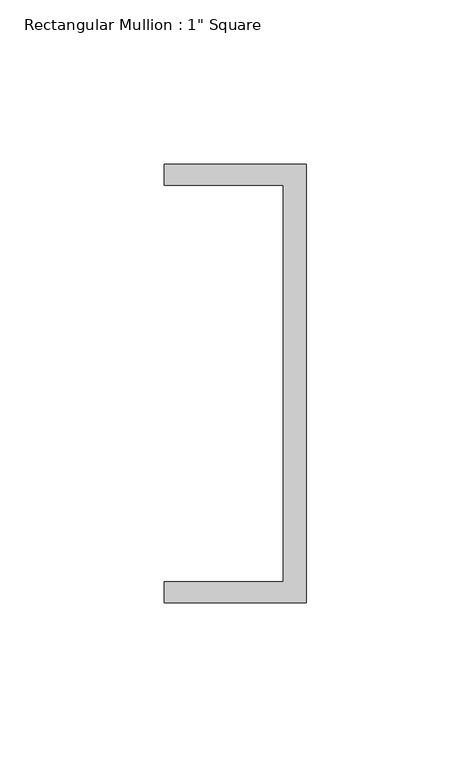
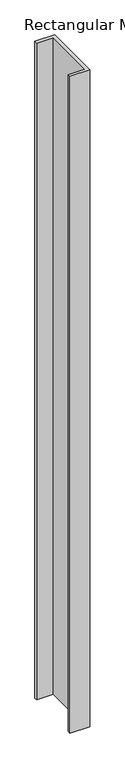
"""IFC4 building model written with IfcOpenShell, lengths in millimetres: member geometry."""

import ifcopenshell
import ifcopenshell.guid

model = None  # the IFC model being written
_history = None  # IfcOwnerHistory: only IFC2X3 demands one
_inside = {}  # id of a spatial element -> (the spatial element, [elements in it])
_under = {}  # id of a project, library or spatial element -> (it, [spatial elements below it])
_declared = {}  # id of a project -> (the project, [libraries it declares])
_typed = {}  # id of a type object -> (the type object, [elements of that type])
_made_of = {}  # id of a material, layer set ... -> (it, [elements and type objects made of it])


def new_model(schema):
    """Start an empty IFC model of exactly this schema.

    Asked for "IFC4X3", IfcOpenShell would pick the latest addendum, in which some entities
    have other attributes; the version numbers below select the first issue.
    IFC2X3 requires an IfcOwnerHistory on every rooted entity: one is made here for all.
    """
    global model, _history
    if schema == "IFC4X3":
        model = ifcopenshell.file(schema_version=(4, 3, 0, 0))
    else:
        model = ifcopenshell.file(schema=schema)
    _inside.clear()
    _under.clear()
    _declared.clear()
    _typed.clear()
    _made_of.clear()
    _history = None
    if model.schema == "IFC2X3":
        org = make("IfcOrganization", Name="unknown")
        user = make(
            "IfcPersonAndOrganization",
            ThePerson=make("IfcPerson", FamilyName="unknown"),
            TheOrganization=org,
        )
        app = make(
            "IfcApplication",
            ApplicationDeveloper=org,
            Version="unknown",
            ApplicationFullName="unknown",
            ApplicationIdentifier="unknown",
        )
        _history = make(
            "IfcOwnerHistory",
            OwningUser=user,
            OwningApplication=app,
            ChangeAction="ADDED",
            CreationDate=0,
        )
    return model


def make(cls, **values):
    """One entity of the class cls with the attributes given. An attribute that is None is left unset."""
    return model.create_entity(
        cls, **{name: value for name, value in values.items() if value is not None}
    )


def rooted(cls, **values):
    """An entity with a GlobalId (a new one), such as an element, a storey or a relation."""
    return make(cls, GlobalId=ifcopenshell.guid.new(), OwnerHistory=_history, **values)


def si_unit(unit_type, name, prefix=None):
    """IfcSIUnit, for example si_unit("LENGTHUNIT", "METRE", prefix="MILLI")."""
    return make("IfcSIUnit", UnitType=unit_type, Prefix=prefix, Name=name)


def assignment(units):
    """IfcUnitAssignment: the units of a project."""
    return None if units is None else make("IfcUnitAssignment", Units=units)


def point(xyz):
    """IfcCartesianPoint."""
    return None if xyz is None else make("IfcCartesianPoint", Coordinates=xyz)


def direction(xyz):
    """IfcDirection."""
    return None if xyz is None else make("IfcDirection", DirectionRatios=xyz)


def frame(location, z_axis=None, x_axis=None):
    """IfcAxis2Placement3D, a coordinate frame: its origin and axes. An axis left out is left unset."""
    return make(
        "IfcAxis2Placement3D",
        Location=point(location),
        Axis=direction(z_axis),
        RefDirection=direction(x_axis),
    )


def origin():
    """The frame at (0, 0, 0) with its axes left unset."""
    return frame((0.0, 0.0, 0.0))


def place(relative_to, where):
    """IfcLocalPlacement: puts the frame where relative to a parent placement (None: the world)."""
    return make(
        "IfcLocalPlacement", PlacementRelTo=relative_to, RelativePlacement=where
    )


def context(
    kind, dimensions, precision=None, world=None, true_north=None, identifier=None
):
    """IfcGeometricRepresentationContext, for example the 3D "Model" context."""
    return make(
        "IfcGeometricRepresentationContext",
        ContextIdentifier=identifier,
        ContextType=kind,
        CoordinateSpaceDimension=dimensions,
        Precision=precision,
        WorldCoordinateSystem=world,
        TrueNorth=true_north,
    )


def project(units=None, contexts=None):
    """IfcProject with its units and contexts."""
    return rooted(
        "IfcProject",
        Name="project",
        RepresentationContexts=contexts,
        UnitsInContext=assignment(units),
    )


def spatial(cls, under=None, at=None, **own):
    """A site, building, storey or space (cls), placed at a placement, below another one or the project."""
    s = rooted(cls, ObjectPlacement=at, **own)
    if under is not None:
        _under.setdefault(under.id(), (under, []))[1].append(s)
    return s


def polyline(points):
    """IfcPolyline through the points."""
    return make("IfcPolyline", Points=[point(p) for p in points])


def outline(outer, holes=None, kind="AREA"):
    """IfcArbitraryClosedProfileDef: a profile drawn as a closed curve; with holes, ...WithVoids."""
    if holes is None:
        return make("IfcArbitraryClosedProfileDef", ProfileType=kind, OuterCurve=outer)
    return make(
        "IfcArbitraryProfileDefWithVoids",
        ProfileType=kind,
        OuterCurve=outer,
        InnerCurves=holes,
    )


def extrude(swept, where, along, depth):
    """IfcExtrudedAreaSolid: the profile swept, set in the frame where, extruded along a direction by depth."""
    return make(
        "IfcExtrudedAreaSolid",
        SweptArea=swept,
        Position=where,
        ExtrudedDirection=direction(along),
        Depth=depth,
    )


def shape(context_of_items, identifier, shape_type, items):
    """IfcShapeRepresentation: the items that make up one representation, for example the "Body"."""
    return make(
        "IfcShapeRepresentation",
        ContextOfItems=context_of_items,
        RepresentationIdentifier=identifier,
        RepresentationType=shape_type,
        Items=items,
    )


def source(mapping_origin, context_of_items, identifier, shape_type, items):
    """IfcRepresentationMap: a shape defined once, which mapped items show again and again."""
    return make(
        "IfcRepresentationMap",
        MappingOrigin=mapping_origin,
        MappedRepresentation=shape(context_of_items, identifier, shape_type, items),
    )


def transform(
    local_origin,
    x_axis=None,
    y_axis=None,
    z_axis=None,
    scale=None,
    scale2=None,
    scale3=None,
    uniform=True,
):
    """IfcCartesianTransformationOperator3D, or its non-uniform kind. x_axis, y_axis, z_axis: its Axis1, 2, 3."""
    if uniform:
        return make(
            "IfcCartesianTransformationOperator3D",
            Axis1=direction(x_axis),
            Axis2=direction(y_axis),
            LocalOrigin=point(local_origin),
            Scale=scale,
            Axis3=direction(z_axis),
        )
    return make(
        "IfcCartesianTransformationOperator3DnonUniform",
        Axis1=direction(x_axis),
        Axis2=direction(y_axis),
        LocalOrigin=point(local_origin),
        Scale=scale,
        Axis3=direction(z_axis),
        Scale2=scale2,
        Scale3=scale3,
    )


def mapped(mapping_source, mapping_target):
    """IfcMappedItem: shows the shape of a source again, moved by a transform."""
    return make(
        "IfcMappedItem", MappingSource=mapping_source, MappingTarget=mapping_target
    )


def made_of(thing, what):
    """Note that an element or type object is made of a material, layer set ...; save() writes the relation."""
    if what is not None:
        _made_of.setdefault(what.id(), (what, []))[1].append(thing)
    return thing


def element(
    cls,
    number,
    at=None,
    inside=None,
    cuts=None,
    type_object=None,
    material=None,
    context=None,
    identifier="Body",
    shape_type=None,
    held_by="IfcProductDefinitionShape",
    body=None,
    shapes=None,
    **own,
):
    """One element of the class cls, such as IfcWall. Its Tag is "e" and its number.

    at: its placement. inside: the storey or other place that contains it. cuts: it is an
    opening in that element (IfcRelVoidsElement). A single representation is given by context,
    identifier, shape_type and body (its items); several are given by shapes. held_by: the class
    of the entity that holds the representations. save() writes the other relations.
    """
    e = rooted(cls, Tag="e%d" % number, ObjectPlacement=at, **own)
    if body is not None:
        shapes = [shape(context, identifier, shape_type, body)]
    if shapes is not None:
        e.Representation = make(held_by, Representations=shapes)
    if inside is not None:
        _inside.setdefault(inside.id(), (inside, []))[1].append(e)
    if cuts is not None:
        rooted(
            "IfcRelVoidsElement", RelatingBuildingElement=cuts, RelatedOpeningElement=e
        )
    if type_object is not None:
        _typed.setdefault(type_object.id(), (type_object, []))[1].append(e)
    return made_of(e, material)


def aggregate(whole, parts):
    """IfcRelAggregates: a whole, such as a stair, and the parts it consists of."""
    return rooted("IfcRelAggregates", RelatingObject=whole, RelatedObjects=parts)


def save(model, path):
    """Write the relations noted so far, then the file.

    IfcRelAggregates (storeys below a building ...), IfcRelContainedInSpatialStructure (elements
    in a storey), IfcRelDefinesByType, IfcRelAssociatesMaterial and IfcRelDeclares: one each for
    every whole, place, type object, material and project.
    """
    for whole, parts in _under.values():
        aggregate(whole, parts)
    for where, things in _inside.values():
        rooted(
            "IfcRelContainedInSpatialStructure",
            RelatedElements=things,
            RelatingStructure=where,
        )
    for kind, things in _typed.values():
        rooted("IfcRelDefinesByType", RelatedObjects=things, RelatingType=kind)
    for what, things in _made_of.values():
        rooted("IfcRelAssociatesMaterial", RelatedObjects=things, RelatingMaterial=what)
    for by, libraries in _declared.values():
        rooted("IfcRelDeclares", RelatingContext=by, RelatedDefinitions=libraries)
    model.write(path)


def member_00125d53(model_context):
    return source(origin(), model_context, "Body", "SweptSolid", [
        extrude(outline(polyline([(0.0, 135.2608739), (0.0, 1.9108739), (-43.2224547, 1.9108739), (-43.2224547, 8.2608739), (-7.0438577, 8.2608739), (-7.0438577, 128.9108739), (-43.2224547, 128.9108739), (-43.2224547, 135.2608739), (0.0, 135.2608739)])), frame((0.0, 0.0, -1524.0), z_axis=(0.0, 0.0, 1.0), x_axis=(1.0, 0.0, 0.0)), (0.0, 0.0, 1.0), 1524.0),
    ])


if __name__ == "__main__":
    model = new_model("IFC4")
    model_context = context("Model", 3, world=origin())
    ifc_project = project(units=[si_unit("LENGTHUNIT", "METRE", prefix="MILLI")], contexts=[model_context])
    site = spatial("IfcSite", under=ifc_project)
    building = spatial("IfcBuilding", under=site)
    placement = place(None, origin())
    member_shape = member_00125d53(model_context)
    element("IfcMember", 1, ObjectType="Rectangular Mullion : 1\" Square", at=placement, inside=building, context=model_context, shape_type="MappedRepresentation", body=[
        mapped(member_shape, transform((0.0, 0.0, 0.0), x_axis=(1.0, 0.0, 0.0), y_axis=(0.0, 1.0, 0.0), z_axis=(0.0, 0.0, 1.0))),
    ])
    save(model, "model.ifc")
